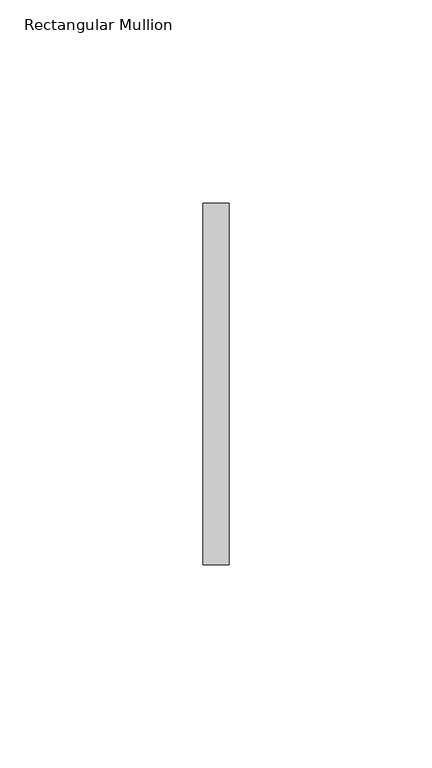
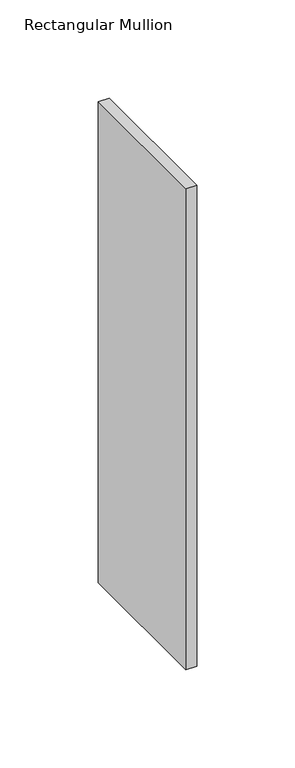
"""IFC4 building model written with IfcOpenShell, lengths in millimetres: member geometry, Rectangular Mullion."""

from ifc_helpers import new_model, si_unit, frame, origin, place, context, project, spatial, polyline, outline, extrude, source, transform, mapped, element, save


def rectangular_mullion_d4b4922a(model_context):
    return source(origin(), model_context, "Body", "SweptSolid", [
        extrude(outline(polyline([(0.0, 44.45), (0.0, -44.45), (-6.35, -44.45), (-6.35, 44.45), (0.0, 44.45)])), frame((0.0, 0.0, -298.4499763), z_axis=(0.0, 0.0, 1.0), x_axis=(1.0, 0.0, 0.0)), (0.0, 0.0, 1.0), 298.4499763),
    ])


if __name__ == "__main__":
    model = new_model("IFC4")
    model_context = context("Model", 3, world=origin())
    ifc_project = project(units=[si_unit("LENGTHUNIT", "METRE", prefix="MILLI")], contexts=[model_context])
    site = spatial("IfcSite", under=ifc_project)
    building = spatial("IfcBuilding", under=site)
    placement = place(None, origin())
    rectangular_mullion_shape = rectangular_mullion_d4b4922a(model_context)
    element("IfcMember", 1, ObjectType="Rectangular Mullion", at=placement, inside=building, context=model_context, shape_type="MappedRepresentation", body=[
        mapped(rectangular_mullion_shape, transform((0.0, 0.0, 0.0), x_axis=(1.0, 0.0, 0.0), y_axis=(0.0, 1.0, 0.0), z_axis=(0.0, 0.0, 1.0))),
    ])
    save(model, "model.ifc")
